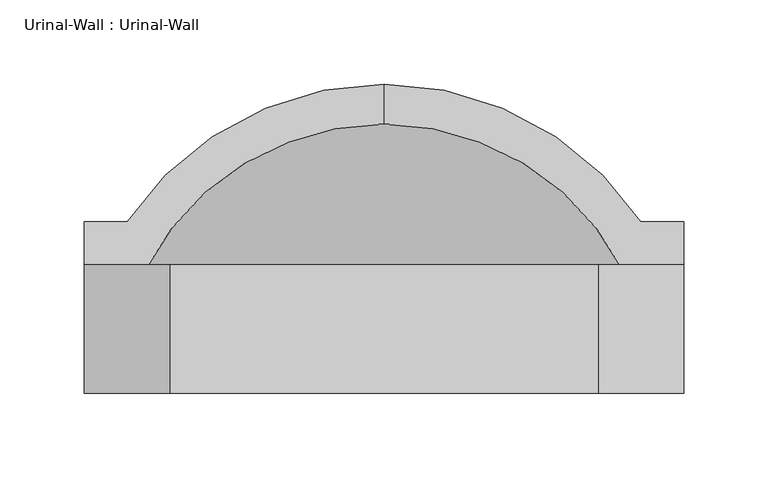
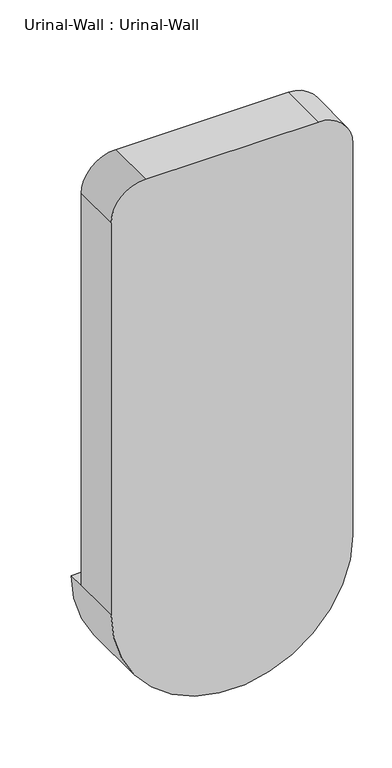
"""IFC4 building model written with IfcOpenShell, lengths in millimetres: flow terminal geometry, Urinal-Wall : Urinal-Wall."""

import ifcopenshell
import ifcopenshell.guid

model = None  # the IFC model being written
_history = None  # IfcOwnerHistory: only IFC2X3 demands one
_inside = {}  # id of a spatial element -> (the spatial element, [elements in it])
_under = {}  # id of a project, library or spatial element -> (it, [spatial elements below it])
_declared = {}  # id of a project -> (the project, [libraries it declares])
_typed = {}  # id of a type object -> (the type object, [elements of that type])
_made_of = {}  # id of a material, layer set ... -> (it, [elements and type objects made of it])


def new_model(schema):
    """Start an empty IFC model of exactly this schema.

    Asked for "IFC4X3", IfcOpenShell would pick the latest addendum, in which some entities
    have other attributes; the version numbers below select the first issue.
    IFC2X3 requires an IfcOwnerHistory on every rooted entity: one is made here for all.
    """
    global model, _history
    if schema == "IFC4X3":
        model = ifcopenshell.file(schema_version=(4, 3, 0, 0))
    else:
        model = ifcopenshell.file(schema=schema)
    _inside.clear()
    _under.clear()
    _declared.clear()
    _typed.clear()
    _made_of.clear()
    _history = None
    if model.schema == "IFC2X3":
        org = make("IfcOrganization", Name="unknown")
        user = make(
            "IfcPersonAndOrganization",
            ThePerson=make("IfcPerson", FamilyName="unknown"),
            TheOrganization=org,
        )
        app = make(
            "IfcApplication",
            ApplicationDeveloper=org,
            Version="unknown",
            ApplicationFullName="unknown",
            ApplicationIdentifier="unknown",
        )
        _history = make(
            "IfcOwnerHistory",
            OwningUser=user,
            OwningApplication=app,
            ChangeAction="ADDED",
            CreationDate=0,
        )
    return model


def make(cls, **values):
    """One entity of the class cls with the attributes given. An attribute that is None is left unset."""
    return model.create_entity(
        cls, **{name: value for name, value in values.items() if value is not None}
    )


def rooted(cls, **values):
    """An entity with a GlobalId (a new one), such as an element, a storey or a relation."""
    return make(cls, GlobalId=ifcopenshell.guid.new(), OwnerHistory=_history, **values)


def si_unit(unit_type, name, prefix=None):
    """IfcSIUnit, for example si_unit("LENGTHUNIT", "METRE", prefix="MILLI")."""
    return make("IfcSIUnit", UnitType=unit_type, Prefix=prefix, Name=name)


def assignment(units):
    """IfcUnitAssignment: the units of a project."""
    return None if units is None else make("IfcUnitAssignment", Units=units)


def point(xyz):
    """IfcCartesianPoint."""
    return None if xyz is None else make("IfcCartesianPoint", Coordinates=xyz)


def direction(xyz):
    """IfcDirection."""
    return None if xyz is None else make("IfcDirection", DirectionRatios=xyz)


def frame(location, z_axis=None, x_axis=None):
    """IfcAxis2Placement3D, a coordinate frame: its origin and axes. An axis left out is left unset."""
    return make(
        "IfcAxis2Placement3D",
        Location=point(location),
        Axis=direction(z_axis),
        RefDirection=direction(x_axis),
    )


def origin():
    """The frame at (0, 0, 0) with its axes left unset."""
    return frame((0.0, 0.0, 0.0))


def place(relative_to, where):
    """IfcLocalPlacement: puts the frame where relative to a parent placement (None: the world)."""
    return make(
        "IfcLocalPlacement", PlacementRelTo=relative_to, RelativePlacement=where
    )


def context(
    kind, dimensions, precision=None, world=None, true_north=None, identifier=None
):
    """IfcGeometricRepresentationContext, for example the 3D "Model" context."""
    return make(
        "IfcGeometricRepresentationContext",
        ContextIdentifier=identifier,
        ContextType=kind,
        CoordinateSpaceDimension=dimensions,
        Precision=precision,
        WorldCoordinateSystem=world,
        TrueNorth=true_north,
    )


def project(units=None, contexts=None):
    """IfcProject with its units and contexts."""
    return rooted(
        "IfcProject",
        Name="project",
        RepresentationContexts=contexts,
        UnitsInContext=assignment(units),
    )


def spatial(cls, under=None, at=None, **own):
    """A site, building, storey or space (cls), placed at a placement, below another one or the project."""
    s = rooted(cls, ObjectPlacement=at, **own)
    if under is not None:
        _under.setdefault(under.id(), (under, []))[1].append(s)
    return s


def polyline(points):
    """IfcPolyline through the points."""
    return make("IfcPolyline", Points=[point(p) for p in points])


def circle_curve(where, radius):
    """IfcCircle in the frame where."""
    return make("IfcCircle", Position=where, Radius=radius)


def ellipse_curve(where, semi_axis1, semi_axis2):
    """IfcEllipse in the frame where."""
    return make(
        "IfcEllipse", Position=where, SemiAxis1=semi_axis1, SemiAxis2=semi_axis2
    )


def trimmed(basis, trim1, trim2, sense, master):
    """IfcTrimmedCurve: the piece of a basis curve between two trims."""
    return make(
        "IfcTrimmedCurve",
        BasisCurve=basis,
        Trim1=trim1,
        Trim2=trim2,
        SenseAgreement=sense,
        MasterRepresentation=master,
    )


def shape(context_of_items, identifier, shape_type, items):
    """IfcShapeRepresentation: the items that make up one representation, for example the "Body"."""
    return make(
        "IfcShapeRepresentation",
        ContextOfItems=context_of_items,
        RepresentationIdentifier=identifier,
        RepresentationType=shape_type,
        Items=items,
    )


def source(mapping_origin, context_of_items, identifier, shape_type, items):
    """IfcRepresentationMap: a shape defined once, which mapped items show again and again."""
    return make(
        "IfcRepresentationMap",
        MappingOrigin=mapping_origin,
        MappedRepresentation=shape(context_of_items, identifier, shape_type, items),
    )


def transform(
    local_origin,
    x_axis=None,
    y_axis=None,
    z_axis=None,
    scale=None,
    scale2=None,
    scale3=None,
    uniform=True,
):
    """IfcCartesianTransformationOperator3D, or its non-uniform kind. x_axis, y_axis, z_axis: its Axis1, 2, 3."""
    if uniform:
        return make(
            "IfcCartesianTransformationOperator3D",
            Axis1=direction(x_axis),
            Axis2=direction(y_axis),
            LocalOrigin=point(local_origin),
            Scale=scale,
            Axis3=direction(z_axis),
        )
    return make(
        "IfcCartesianTransformationOperator3DnonUniform",
        Axis1=direction(x_axis),
        Axis2=direction(y_axis),
        LocalOrigin=point(local_origin),
        Scale=scale,
        Axis3=direction(z_axis),
        Scale2=scale2,
        Scale3=scale3,
    )


def mapped(mapping_source, mapping_target):
    """IfcMappedItem: shows the shape of a source again, moved by a transform."""
    return make(
        "IfcMappedItem", MappingSource=mapping_source, MappingTarget=mapping_target
    )


def made_of(thing, what):
    """Note that an element or type object is made of a material, layer set ...; save() writes the relation."""
    if what is not None:
        _made_of.setdefault(what.id(), (what, []))[1].append(thing)
    return thing


def element(
    cls,
    number,
    at=None,
    inside=None,
    cuts=None,
    type_object=None,
    material=None,
    context=None,
    identifier="Body",
    shape_type=None,
    held_by="IfcProductDefinitionShape",
    body=None,
    shapes=None,
    **own,
):
    """One element of the class cls, such as IfcWall. Its Tag is "e" and its number.

    at: its placement. inside: the storey or other place that contains it. cuts: it is an
    opening in that element (IfcRelVoidsElement). A single representation is given by context,
    identifier, shape_type and body (its items); several are given by shapes. held_by: the class
    of the entity that holds the representations. save() writes the other relations.
    """
    e = rooted(cls, Tag="e%d" % number, ObjectPlacement=at, **own)
    if body is not None:
        shapes = [shape(context, identifier, shape_type, body)]
    if shapes is not None:
        e.Representation = make(held_by, Representations=shapes)
    if inside is not None:
        _inside.setdefault(inside.id(), (inside, []))[1].append(e)
    if cuts is not None:
        rooted(
            "IfcRelVoidsElement", RelatingBuildingElement=cuts, RelatedOpeningElement=e
        )
    if type_object is not None:
        _typed.setdefault(type_object.id(), (type_object, []))[1].append(e)
    return made_of(e, material)


def aggregate(whole, parts):
    """IfcRelAggregates: a whole, such as a stair, and the parts it consists of."""
    return rooted("IfcRelAggregates", RelatingObject=whole, RelatedObjects=parts)


def save(model, path):
    """Write the relations noted so far, then the file.

    IfcRelAggregates (storeys below a building ...), IfcRelContainedInSpatialStructure (elements
    in a storey), IfcRelDefinesByType, IfcRelAssociatesMaterial and IfcRelDeclares: one each for
    every whole, place, type object, material and project.
    """
    for whole, parts in _under.values():
        aggregate(whole, parts)
    for where, things in _inside.values():
        rooted(
            "IfcRelContainedInSpatialStructure",
            RelatedElements=things,
            RelatingStructure=where,
        )
    for kind, things in _typed.values():
        rooted("IfcRelDefinesByType", RelatedObjects=things, RelatingType=kind)
    for what, things in _made_of.values():
        rooted("IfcRelAssociatesMaterial", RelatedObjects=things, RelatingMaterial=what)
    for by, libraries in _declared.values():
        rooted("IfcRelDeclares", RelatingContext=by, RelatedDefinitions=libraries)
    model.write(path)


def plane_surface(at):
    """IfcPlane: the flat surface through the origin of the frame at, square to its z axis."""
    return make("IfcPlane", Position=at)


def cylinder_surface(at, radius):
    """IfcCylindricalSurface: all points at the distance radius from the z axis of the frame at."""
    return make("IfcCylindricalSurface", Position=at, Radius=radius)


def revolved_surface(curve, axis_point, axis_direction):
    """IfcSurfaceOfRevolution: the curve turned about the line through axis_point along axis_direction."""
    return make(
        "IfcSurfaceOfRevolution",
        SweptCurve=make("IfcArbitraryOpenProfileDef", ProfileType="CURVE", Curve=curve),
        AxisPosition=make("IfcAxis1Placement", Location=point(axis_point), Axis=direction(axis_direction)),
    )


def advanced_brep(points, edges, surfaces, faces):
    """IfcAdvancedBrep: a solid bounded by faces that lie on surfaces and meet in shared edges.

    An edge is (start, end): straight between two places in points (the first is 0);
    or (start, end, curve); or (start, end, curve, False) where it runs against its curve.
    A face is (place in surfaces, loops), or (place, loops, False) where it looks against
    its surface's normal. A loop lists edges by number (the first is 1), with a minus sign
    where the edge is run from its end to its start. The first loop is the outer one.
    """
    corners = [point(p) for p in points]
    vertices = [make("IfcVertexPoint", VertexGeometry=c) for c in corners]
    made = []
    for start, end, *more in edges:
        made.append(
            make(
                "IfcEdgeCurve",
                EdgeStart=vertices[start],
                EdgeEnd=vertices[end],
                EdgeGeometry=more[0] if more else make("IfcPolyline", Points=[corners[start], corners[end]]),
                SameSense=more[1] if len(more) > 1 else True,
            )
        )
    hull = []
    for where, loops, *sense in faces:
        bounds = []
        for j, loop in enumerate(loops):
            ring = [make("IfcOrientedEdge", EdgeElement=made[abs(k) - 1], Orientation=k > 0) for k in loop]
            bounds.append(
                make(
                    "IfcFaceOuterBound" if j == 0 else "IfcFaceBound",
                    Bound=make("IfcEdgeLoop", EdgeList=ring),
                    Orientation=True,
                )
            )
        hull.append(make("IfcAdvancedFace", Bounds=bounds, FaceSurface=surfaces[where], SameSense=sense[0] if sense else True))
    return make("IfcAdvancedBrep", Outer=make("IfcClosedShell", CfsFaces=hull))


def urinal_wall_urinal_wall_8f78ac65(model_context):
    return source(origin(), model_context, "Body", "AdvancedBrep", [
        advanced_brep(
        [(-109.0745999, 335.5620048, 609.6), (-109.0745999, 311.8447043, 609.6), (43.3254001, 199.2706063, 609.6), (43.3254001, 228.6, 609.6), (68.7254001, 228.6, 609.6), (68.7254001, 254.0, 609.6), (43.3254001, 254.0, 609.6), (-261.4745999, 254.0, 609.6), (-286.8745999, 254.0, 609.6), (-286.8745999, 228.6, 609.6), (-261.4745999, 228.6, 609.6), (-261.4745999, 199.2706063, 609.6), (-261.4745999, 165.1, 609.6), (43.3254001, 165.1, 609.6), (-286.8745999, 152.4, 609.6), (68.7254001, 152.4, 609.6), (68.7254001, 152.4, 1219.2), (17.9254001, 152.4, 1270.0), (-236.0745999, 152.4, 1270.0), (-286.8745999, 152.4, 1219.2), (43.3254001, 228.6, 1168.4), (-7.4745999, 228.6, 1219.2), (-210.6745999, 228.6, 1219.2), (-261.4745999, 228.6, 1168.4), (-286.8745999, 228.6, 1219.2), (-236.0745999, 228.6, 1270.0), (17.9254001, 228.6, 1270.0), (68.7254001, 228.6, 1219.2), (43.3254001, 165.1, 1168.4), (-7.4745999, 165.1, 1219.2), (-210.6745999, 165.1, 1219.2), (-261.4745999, 165.1, 1168.4)],
        [
            (0, 1),
            (1, 2, circle_curve(frame((-109.0745999, 152.4, 609.6), z_axis=(0.0, 0.0, -1.0), x_axis=(1.0, 0.0, 0.0)), 159.4447043)),
            (2, 3),
            (3, 4),
            (4, 5),
            (5, 6),
            (6, 0, circle_curve(frame((-109.0745999, 152.4, 609.6), z_axis=(0.0, 0.0, 1.0), x_axis=(1.0, 0.0, 0.0)), 183.1620048)),
            (0, 7, circle_curve(frame((-109.0745999, 152.4, 609.6), z_axis=(0.0, 0.0, 1.0), x_axis=(-1.0, 0.0, 0.0)), 183.1620048)),
            (7, 8),
            (8, 9),
            (9, 10),
            (10, 11),
            (11, 1, circle_curve(frame((-109.0745999, 152.4, 609.6), z_axis=(0.0, 0.0, -1.0), x_axis=(-1.0, 0.0, 0.0)), 159.4447043)),
            (11, 2, circle_curve(frame((-109.0745999, 199.2706063, 609.6), z_axis=(0.0, -1.0, 0.0), x_axis=(1.0, 0.0, 0.0)), 152.4)),
            (11, 12),
            (12, 13, circle_curve(frame((-109.0745999, 165.1, 609.6), z_axis=(0.0, -1.0, 0.0), x_axis=(1.0, 0.0, 0.0)), 152.4)),
            (13, 2),
            (14, 15, circle_curve(frame((-109.0745999, 152.4, 609.6), z_axis=(0.0, -1.0, 0.0), x_axis=(1.0, 0.0, 0.0)), 177.8)),
            (15, 16),
            (16, 17, circle_curve(frame((17.9254001, 152.4, 1219.2), z_axis=(0.0, -1.0, 0.0), x_axis=(-1.0, 0.0, 0.0)), 50.8)),
            (17, 18),
            (18, 19, circle_curve(frame((-236.0745999, 152.4, 1219.2), z_axis=(0.0, -1.0, 0.0), x_axis=(-1.0, 0.0, 0.0)), 50.8)),
            (19, 14),
            (14, 9),
            (8, 5, circle_curve(frame((-109.0745999, 254.0, 609.6), z_axis=(0.0, -1.0, 0.0), x_axis=(1.0, 0.0, 0.0)), 177.8)),
            (4, 15),
            (7, 6, circle_curve(frame((-109.0745999, 254.0, 609.6), z_axis=(0.0, -1.0, 0.0), x_axis=(1.0, 0.0, 0.0)), 152.4)),
            (3, 20),
            (20, 21, circle_curve(frame((-7.4745999, 228.6, 1168.4), z_axis=(0.0, -1.0, 0.0), x_axis=(-1.0, 0.0, 0.0)), 50.8)),
            (21, 22),
            (22, 23, circle_curve(frame((-210.6745999, 228.6, 1168.4), z_axis=(0.0, -1.0, 0.0), x_axis=(-1.0, 0.0, 0.0)), 50.8)),
            (23, 10),
            (9, 24),
            (24, 25, circle_curve(frame((-236.0745999, 228.6, 1219.2), z_axis=(0.0, 1.0, 0.0), x_axis=(-1.0, 0.0, 0.0)), 50.8)),
            (25, 26),
            (26, 27, circle_curve(frame((17.9254001, 228.6, 1219.2), z_axis=(0.0, 1.0, 0.0), x_axis=(-1.0, 0.0, 0.0)), 50.8)),
            (27, 4),
            (13, 28),
            (28, 20),
            (28, 29, circle_curve(frame((-7.4745999, 165.1, 1168.4), z_axis=(0.0, -1.0, 0.0), x_axis=(-1.0, 0.0, 0.0)), 50.8)),
            (29, 21),
            (29, 30),
            (30, 22),
            (30, 31, circle_curve(frame((-210.6745999, 165.1, 1168.4), z_axis=(0.0, -1.0, 0.0), x_axis=(-1.0, 0.0, 0.0)), 50.8)),
            (31, 23),
            (31, 12),
            (19, 24),
            (18, 25),
            (17, 26),
            (16, 27),
        ],
        [
            plane_surface(frame((-109.0745999, 441.6104173, 609.6), z_axis=(0.0, 0.0, 1.0), x_axis=(1.0, 0.0, 0.0))),
            plane_surface(frame((-109.0745999, 441.6104173, 609.6), z_axis=(0.0, 0.0, 1.0), x_axis=(-1.0, 0.0, 0.0))),
            revolved_surface(trimmed(ellipse_curve(frame((-109.0745999, 152.4, 609.6), z_axis=(0.0, 0.0, -1.0), x_axis=(1.0, 0.0, 0.0)), 159.4447043, 159.4447043), [point((-109.0745999, 311.8447043, 609.6))], [point((43.3254001, 199.2706063, 609.6))], True, "CARTESIAN"), (-109.0745999, 441.6104173, 609.6), (0.0, 1.0, 0.0)),
            revolved_surface(polyline([(43.32540010000001, 199.2706063, 609.6), (43.32540010000001, 165.10000000000002, 609.6)]), (-109.0745999, 441.6104173, 609.6), (0.0, 1.0, 0.0)),
            plane_surface(frame((-109.0745999, 152.4, 609.6), z_axis=(0.0, -1.0, 0.0), x_axis=(1.0, 0.0, 0.0))),
            cylinder_surface(frame((-109.0745999, 441.6104173, 609.6), z_axis=(0.0, 1.0, 0.0), x_axis=(1.0, 0.0, 0.0)), 177.8),
            plane_surface(frame((-109.0745999, 254.0, 609.6), z_axis=(0.0, 1.0, 0.0), x_axis=(1.0, 0.0, 0.0))),
            revolved_surface(trimmed(ellipse_curve(frame((-109.0745999, 152.4, 609.6), z_axis=(0.0, 0.0, 1.0), x_axis=(1.0, 0.0, 0.0)), 183.1620048, 183.1620048), [point((43.3254001, 254.0, 609.6))], [point((-109.0745999, 335.5620048, 609.6))], True, "CARTESIAN"), (-109.0745999, 441.6104173, 609.6), (0.0, 1.0, 0.0)),
            plane_surface(frame((43.3254001, 228.6, 609.6), z_axis=(0.0, 1.0, 0.0), x_axis=(0.0, 0.0, 1.0))),
            plane_surface(frame((43.3254001, 228.6, 609.6), z_axis=(-1.0, 0.0, 0.0), x_axis=(0.0, -1.0, 0.0))),
            revolved_surface(polyline([(-58.2745999, 165.1, 1168.4), (-58.2745999, 228.6, 1168.4)]), (-7.4745999, 152.4, 1168.4), (0.0, -1.0, 0.0)),
            plane_surface(frame((-7.4745999, 228.6, 1219.2), z_axis=(0.0, 0.0, -1.0), x_axis=(0.0, -1.0, 0.0))),
            revolved_surface(polyline([(-261.4745999, 165.1, 1168.4), (-261.4745999, 228.6, 1168.4)]), (-210.6745999, 152.4, 1168.4), (0.0, -1.0, 0.0)),
            plane_surface(frame((-261.4745999, 228.6, 1168.4), z_axis=(1.0, 0.0, 0.0), x_axis=(0.0, -1.0, 0.0))),
            plane_surface(frame((-286.8745999, 228.6, 609.6), z_axis=(-1.0, 0.0, 0.0), x_axis=(0.0, -1.0, 0.0))),
            cylinder_surface(frame((-236.0745999, 152.4, 1219.2), z_axis=(0.0, 1.0, 0.0), x_axis=(-1.0, 0.0, 0.0)), 50.8),
            plane_surface(frame((-236.0745999, 228.6, 1270.0), z_axis=(0.0, 0.0, 1.0), x_axis=(0.0, -1.0, 0.0))),
            cylinder_surface(frame((17.9254001, 152.4, 1219.2), z_axis=(0.0, 1.0, 0.0), x_axis=(-1.0, 0.0, 0.0)), 50.8),
            plane_surface(frame((68.7254001, 228.6, 1219.2), z_axis=(1.0, 0.0, 0.0), x_axis=(0.0, -1.0, 0.0))),
            plane_surface(frame((43.3254001, 165.1, 609.6), z_axis=(0.0, 1.0, 0.0), x_axis=(0.0, 0.0, -1.0))),
        ],
        [
            (0, [[1, 2, 3, 4, 5, 6, 7]]),
            (1, [[-1, 8, 9, 10, 11, 12, 13]]),
            (2, [[-2, -13, 14]]),
            (3, [[-14, 15, 16, 17]]),
            (4, [[18, 19, 20, 21, 22, 23]]),
            (5, [[-18, 24, -10, 25, -5, 26]]),
            (6, [[-6, -25, -9, 27]]),
            (7, [[-7, -27, -8]]),
            (8, [[28, 29, 30, 31, 32, -11, 33, 34, 35, 36, 37, -4]]),
            (9, [[-28, -3, -17, 38, 39]]),
            (10, [[-29, -39, 40, 41]]),
            (11, [[-30, -41, 42, 43]]),
            (12, [[-31, -43, 44, 45]]),
            (13, [[-32, -45, 46, -15, -12]]),
            (14, [[-33, -24, -23, 47]]),
            (15, [[-34, -47, -22, 48]]),
            (16, [[-35, -48, -21, 49]]),
            (17, [[-36, -49, -20, 50]]),
            (18, [[-37, -50, -19, -26]]),
            (19, [[-16, -46, -44, -42, -40, -38]]),
        ],
    ),
    ])


if __name__ == "__main__":
    model = new_model("IFC4")
    model_context = context("Model", 3, world=origin())
    ifc_project = project(units=[si_unit("LENGTHUNIT", "METRE", prefix="MILLI")], contexts=[model_context])
    site = spatial("IfcSite", under=ifc_project)
    building = spatial("IfcBuilding", under=site)
    placement = place(None, origin())
    urinal_wall_urinal_wall_shape = urinal_wall_urinal_wall_8f78ac65(model_context)
    element("IfcFlowTerminal", 1, ObjectType="Urinal-Wall : Urinal-Wall", at=placement, inside=building, context=model_context, shape_type="MappedRepresentation", body=[
        mapped(urinal_wall_urinal_wall_shape, transform((0.0, 0.0, 0.0), x_axis=(1.0, 0.0, 0.0), y_axis=(0.0, 1.0, 0.0), z_axis=(0.0, 0.0, 1.0))),
    ])
    save(model, "model.ifc")
